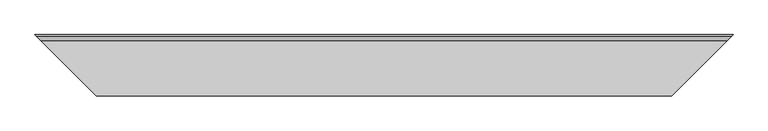
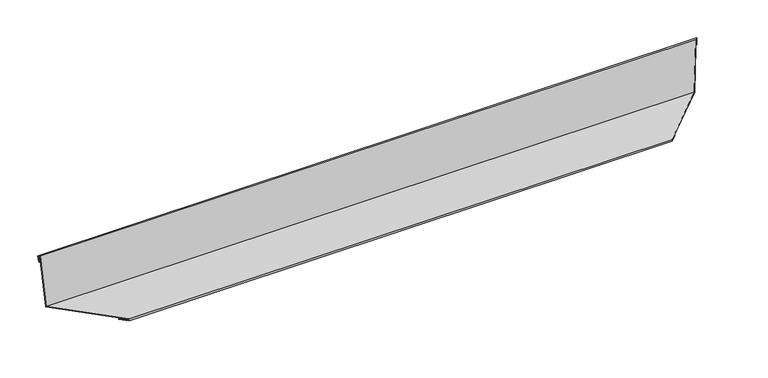
"""IFC4 building model written with IfcOpenShell, lengths in millimetres: proxy geometry."""

from ifc_helpers import new_model, si_unit, origin, place, context, project, spatial, faceted_brep, source, transform, mapped, element, save


def generic_models_2a42d406(model_context):
    return source(origin(), model_context, "Body", "Brep", [
        faceted_brep([(85.5530626, -85.5530626, 2.0), (75.5530626, -75.5530626, 2.0), (924.4469374, -75.5530626, 2.0), (914.4469374, -85.5530626, 2.0), (85.5530626, -85.5530626, 5.0), (914.4469374, -85.5530626, 5.0), (5.5530626, -5.5530626, 5.0), (994.4469374, -5.5530626, 5.0), (0.0, 0.0, 84.5617516), (1000.0, 0.0, 84.5617516), (0.0, 0.0, 70.1993516), (4.6204254, -4.6204254, 4.0), (84.5530626, -84.5530626, 4.0), (84.5530626, -84.5530626, 3.0), (75.5530626, -75.5530626, 3.0), (1000.0, 0.0, 70.1993516), (924.4469374, -75.5530626, 3.0), (915.4469374, -84.5530626, 3.0), (915.4469374, -84.5530626, 4.0), (995.3795746, -4.6204254, 4.0), (-2.9927194, 2.9927194, 84.3528729), (1002.9927194, 2.9927194, 84.3528729), (-2.296457, 2.296457, 74.3771414), (1002.296457, 2.296457, 74.3771414), (-1.2988838, 1.2988838, 74.4467677), (1001.2988838, 1.2988838, 74.4467677), (-1.92552, 1.92552, 83.424926), (1001.92552, 1.92552, 83.424926), (-0.9279469, 0.9279469, 83.4945522), (1000.9279469, 0.9279469, 83.4945522)], [[[0, 1, 2, 3]], [[4, 0, 3, 5]], [[6, 4, 5, 7]], [[8, 6, 7, 9]], [[8, 10, 11, 12, 13, 14, 1, 0, 4, 6]], [[15, 9, 7, 5, 3, 2, 16, 17, 18, 19]], [[20, 8, 9, 21]], [[22, 20, 21, 23]], [[24, 22, 23, 25]], [[26, 24, 25, 27]], [[28, 26, 27, 29]], [[11, 10, 28, 29, 15, 19]], [[12, 11, 19, 18]], [[13, 12, 18, 17]], [[14, 13, 17, 16]], [[1, 14, 16, 2]], [[10, 8, 20, 22, 24, 26, 28]], [[9, 15, 29, 27, 25, 23, 21]]]),
    ])


if __name__ == "__main__":
    model = new_model("IFC4")
    model_context = context("Model", 3, world=origin())
    ifc_project = project(units=[si_unit("LENGTHUNIT", "METRE", prefix="MILLI")], contexts=[model_context])
    site = spatial("IfcSite", under=ifc_project)
    building = spatial("IfcBuilding", under=site)
    placement = place(None, origin())
    generic_models_shape = generic_models_2a42d406(model_context)
    element("IfcBuildingElementProxy", 1, Name="Generic Models", at=placement, inside=building, context=model_context, shape_type="MappedRepresentation", body=[
        mapped(generic_models_shape, transform((0.0, 0.0, 0.0), x_axis=(1.0, 0.0, 0.0), y_axis=(0.0, 1.0, 0.0), z_axis=(0.0, 0.0, 1.0))),
    ])
    save(model, "model.ifc")
